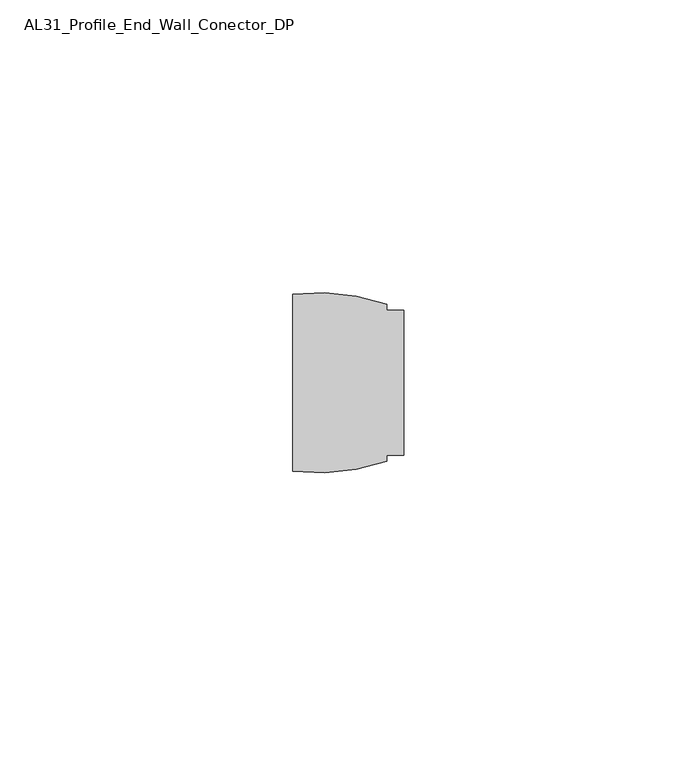
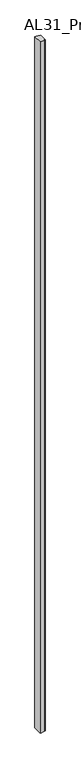
"""IFC4 building model written with IfcOpenShell, lengths in millimetres: member geometry, AL31_Profile_End_Wall_Conector_DP."""

import ifcopenshell
import ifcopenshell.guid

model = None  # the IFC model being written
_history = None  # IfcOwnerHistory: only IFC2X3 demands one
_inside = {}  # id of a spatial element -> (the spatial element, [elements in it])
_under = {}  # id of a project, library or spatial element -> (it, [spatial elements below it])
_declared = {}  # id of a project -> (the project, [libraries it declares])
_typed = {}  # id of a type object -> (the type object, [elements of that type])
_made_of = {}  # id of a material, layer set ... -> (it, [elements and type objects made of it])


def new_model(schema):
    """Start an empty IFC model of exactly this schema.

    Asked for "IFC4X3", IfcOpenShell would pick the latest addendum, in which some entities
    have other attributes; the version numbers below select the first issue.
    IFC2X3 requires an IfcOwnerHistory on every rooted entity: one is made here for all.
    """
    global model, _history
    if schema == "IFC4X3":
        model = ifcopenshell.file(schema_version=(4, 3, 0, 0))
    else:
        model = ifcopenshell.file(schema=schema)
    _inside.clear()
    _under.clear()
    _declared.clear()
    _typed.clear()
    _made_of.clear()
    _history = None
    if model.schema == "IFC2X3":
        org = make("IfcOrganization", Name="unknown")
        user = make(
            "IfcPersonAndOrganization",
            ThePerson=make("IfcPerson", FamilyName="unknown"),
            TheOrganization=org,
        )
        app = make(
            "IfcApplication",
            ApplicationDeveloper=org,
            Version="unknown",
            ApplicationFullName="unknown",
            ApplicationIdentifier="unknown",
        )
        _history = make(
            "IfcOwnerHistory",
            OwningUser=user,
            OwningApplication=app,
            ChangeAction="ADDED",
            CreationDate=0,
        )
    return model


def make(cls, **values):
    """One entity of the class cls with the attributes given. An attribute that is None is left unset."""
    return model.create_entity(
        cls, **{name: value for name, value in values.items() if value is not None}
    )


def rooted(cls, **values):
    """An entity with a GlobalId (a new one), such as an element, a storey or a relation."""
    return make(cls, GlobalId=ifcopenshell.guid.new(), OwnerHistory=_history, **values)


def si_unit(unit_type, name, prefix=None):
    """IfcSIUnit, for example si_unit("LENGTHUNIT", "METRE", prefix="MILLI")."""
    return make("IfcSIUnit", UnitType=unit_type, Prefix=prefix, Name=name)


def assignment(units):
    """IfcUnitAssignment: the units of a project."""
    return None if units is None else make("IfcUnitAssignment", Units=units)


def point(xyz):
    """IfcCartesianPoint."""
    return None if xyz is None else make("IfcCartesianPoint", Coordinates=xyz)


def direction(xyz):
    """IfcDirection."""
    return None if xyz is None else make("IfcDirection", DirectionRatios=xyz)


def frame(location, z_axis=None, x_axis=None):
    """IfcAxis2Placement3D, a coordinate frame: its origin and axes. An axis left out is left unset."""
    return make(
        "IfcAxis2Placement3D",
        Location=point(location),
        Axis=direction(z_axis),
        RefDirection=direction(x_axis),
    )


def frame_2d(location, x_axis=None):
    """IfcAxis2Placement2D, a coordinate frame in the plane: its origin and x axis."""
    return make(
        "IfcAxis2Placement2D", Location=point(location), RefDirection=direction(x_axis)
    )


def origin():
    """The frame at (0, 0, 0) with its axes left unset."""
    return frame((0.0, 0.0, 0.0))


def place(relative_to, where):
    """IfcLocalPlacement: puts the frame where relative to a parent placement (None: the world)."""
    return make(
        "IfcLocalPlacement", PlacementRelTo=relative_to, RelativePlacement=where
    )


def context(
    kind, dimensions, precision=None, world=None, true_north=None, identifier=None
):
    """IfcGeometricRepresentationContext, for example the 3D "Model" context."""
    return make(
        "IfcGeometricRepresentationContext",
        ContextIdentifier=identifier,
        ContextType=kind,
        CoordinateSpaceDimension=dimensions,
        Precision=precision,
        WorldCoordinateSystem=world,
        TrueNorth=true_north,
    )


def project(units=None, contexts=None):
    """IfcProject with its units and contexts."""
    return rooted(
        "IfcProject",
        Name="project",
        RepresentationContexts=contexts,
        UnitsInContext=assignment(units),
    )


def spatial(cls, under=None, at=None, **own):
    """A site, building, storey or space (cls), placed at a placement, below another one or the project."""
    s = rooted(cls, ObjectPlacement=at, **own)
    if under is not None:
        _under.setdefault(under.id(), (under, []))[1].append(s)
    return s


def polyline(points):
    """IfcPolyline through the points."""
    return make("IfcPolyline", Points=[point(p) for p in points])


def circle_curve(where, radius):
    """IfcCircle in the frame where."""
    return make("IfcCircle", Position=where, Radius=radius)


def trimmed(basis, trim1, trim2, sense, master):
    """IfcTrimmedCurve: the piece of a basis curve between two trims."""
    return make(
        "IfcTrimmedCurve",
        BasisCurve=basis,
        Trim1=trim1,
        Trim2=trim2,
        SenseAgreement=sense,
        MasterRepresentation=master,
    )


def segment(curve, same_sense, transition):
    """IfcCompositeCurveSegment."""
    return make(
        "IfcCompositeCurveSegment",
        Transition=transition,
        SameSense=same_sense,
        ParentCurve=curve,
    )


def composite_curve(segments, self_intersect=None):
    """IfcCompositeCurve: segments joined end to end."""
    return make("IfcCompositeCurve", Segments=segments, SelfIntersect=self_intersect)


def outline(outer, holes=None, kind="AREA"):
    """IfcArbitraryClosedProfileDef: a profile drawn as a closed curve; with holes, ...WithVoids."""
    if holes is None:
        return make("IfcArbitraryClosedProfileDef", ProfileType=kind, OuterCurve=outer)
    return make(
        "IfcArbitraryProfileDefWithVoids",
        ProfileType=kind,
        OuterCurve=outer,
        InnerCurves=holes,
    )


def extrude(swept, where, along, depth):
    """IfcExtrudedAreaSolid: the profile swept, set in the frame where, extruded along a direction by depth."""
    return make(
        "IfcExtrudedAreaSolid",
        SweptArea=swept,
        Position=where,
        ExtrudedDirection=direction(along),
        Depth=depth,
    )


def shape(context_of_items, identifier, shape_type, items):
    """IfcShapeRepresentation: the items that make up one representation, for example the "Body"."""
    return make(
        "IfcShapeRepresentation",
        ContextOfItems=context_of_items,
        RepresentationIdentifier=identifier,
        RepresentationType=shape_type,
        Items=items,
    )


def source(mapping_origin, context_of_items, identifier, shape_type, items):
    """IfcRepresentationMap: a shape defined once, which mapped items show again and again."""
    return make(
        "IfcRepresentationMap",
        MappingOrigin=mapping_origin,
        MappedRepresentation=shape(context_of_items, identifier, shape_type, items),
    )


def transform(
    local_origin,
    x_axis=None,
    y_axis=None,
    z_axis=None,
    scale=None,
    scale2=None,
    scale3=None,
    uniform=True,
):
    """IfcCartesianTransformationOperator3D, or its non-uniform kind. x_axis, y_axis, z_axis: its Axis1, 2, 3."""
    if uniform:
        return make(
            "IfcCartesianTransformationOperator3D",
            Axis1=direction(x_axis),
            Axis2=direction(y_axis),
            LocalOrigin=point(local_origin),
            Scale=scale,
            Axis3=direction(z_axis),
        )
    return make(
        "IfcCartesianTransformationOperator3DnonUniform",
        Axis1=direction(x_axis),
        Axis2=direction(y_axis),
        LocalOrigin=point(local_origin),
        Scale=scale,
        Axis3=direction(z_axis),
        Scale2=scale2,
        Scale3=scale3,
    )


def mapped(mapping_source, mapping_target):
    """IfcMappedItem: shows the shape of a source again, moved by a transform."""
    return make(
        "IfcMappedItem", MappingSource=mapping_source, MappingTarget=mapping_target
    )


def made_of(thing, what):
    """Note that an element or type object is made of a material, layer set ...; save() writes the relation."""
    if what is not None:
        _made_of.setdefault(what.id(), (what, []))[1].append(thing)
    return thing


def element(
    cls,
    number,
    at=None,
    inside=None,
    cuts=None,
    type_object=None,
    material=None,
    context=None,
    identifier="Body",
    shape_type=None,
    held_by="IfcProductDefinitionShape",
    body=None,
    shapes=None,
    **own,
):
    """One element of the class cls, such as IfcWall. Its Tag is "e" and its number.

    at: its placement. inside: the storey or other place that contains it. cuts: it is an
    opening in that element (IfcRelVoidsElement). A single representation is given by context,
    identifier, shape_type and body (its items); several are given by shapes. held_by: the class
    of the entity that holds the representations. save() writes the other relations.
    """
    e = rooted(cls, Tag="e%d" % number, ObjectPlacement=at, **own)
    if body is not None:
        shapes = [shape(context, identifier, shape_type, body)]
    if shapes is not None:
        e.Representation = make(held_by, Representations=shapes)
    if inside is not None:
        _inside.setdefault(inside.id(), (inside, []))[1].append(e)
    if cuts is not None:
        rooted(
            "IfcRelVoidsElement", RelatingBuildingElement=cuts, RelatedOpeningElement=e
        )
    if type_object is not None:
        _typed.setdefault(type_object.id(), (type_object, []))[1].append(e)
    return made_of(e, material)


def aggregate(whole, parts):
    """IfcRelAggregates: a whole, such as a stair, and the parts it consists of."""
    return rooted("IfcRelAggregates", RelatingObject=whole, RelatedObjects=parts)


def save(model, path):
    """Write the relations noted so far, then the file.

    IfcRelAggregates (storeys below a building ...), IfcRelContainedInSpatialStructure (elements
    in a storey), IfcRelDefinesByType, IfcRelAssociatesMaterial and IfcRelDeclares: one each for
    every whole, place, type object, material and project.
    """
    for whole, parts in _under.values():
        aggregate(whole, parts)
    for where, things in _inside.values():
        rooted(
            "IfcRelContainedInSpatialStructure",
            RelatedElements=things,
            RelatingStructure=where,
        )
    for kind, things in _typed.values():
        rooted("IfcRelDefinesByType", RelatedObjects=things, RelatingType=kind)
    for what, things in _made_of.values():
        rooted("IfcRelAssociatesMaterial", RelatedObjects=things, RelatingMaterial=what)
    for by, libraries in _declared.values():
        rooted("IfcRelDeclares", RelatingContext=by, RelatedDefinitions=libraries)
    model.write(path)


def al31_profile_end_wall_conector_dp_6510eeea(model_context):
    return source(origin(), model_context, "Body", "SweptSolid", [
        extrude(outline(composite_curve([segment(polyline([(-2.91093, 7.507), (-2.91093, 6.4514918)]), True, "CONTINUOUS"), segment(trimmed(circle_curve(frame_2d((-14.910931, 42.5070042)), 38.0), [point((-2.91093, 6.4514918))], [point((-18.9189957, 4.7189715))], False, "CARTESIAN"), True, "CONTINUOUS"), segment(polyline([(-18.9189957, 4.7189715), (-18.9189957, 34.9950318)]), True, "CONTINUOUS"), segment(trimmed(circle_curve(frame_2d((-14.910931, -2.7930009)), 38.0), [point((-18.9189957, 34.9950318))], [point((-2.9109321, 33.2625122))], False, "CARTESIAN"), True, "CONTINUOUS"), segment(polyline([(-2.9109321, 33.2625122), (-2.9109321, 32.207), (0.0, 32.207), (0.0, 7.507), (-2.91093, 7.507)]), True, "CONTINUOUS")], self_intersect=False)), frame((0.0, 0.0, -2500.0), z_axis=(0.0, 0.0, 1.0), x_axis=(1.0, 0.0, 0.0)), (0.0, 0.0, 1.0), 2500.0),
    ])


if __name__ == "__main__":
    model = new_model("IFC4")
    model_context = context("Model", 3, world=origin())
    ifc_project = project(units=[si_unit("LENGTHUNIT", "METRE", prefix="MILLI")], contexts=[model_context])
    site = spatial("IfcSite", under=ifc_project)
    building = spatial("IfcBuilding", under=site)
    placement = place(None, origin())
    al31_profile_end_wall_conector_dp_shape = al31_profile_end_wall_conector_dp_6510eeea(model_context)
    element("IfcMember", 1, ObjectType="AL31_Profile_End_Wall_Conector_DP", at=placement, inside=building, context=model_context, shape_type="MappedRepresentation", body=[
        mapped(al31_profile_end_wall_conector_dp_shape, transform((0.0, 0.0, 0.0), x_axis=(1.0, 0.0, 0.0), y_axis=(0.0, 1.0, 0.0), z_axis=(0.0, 0.0, 1.0))),
    ])
    save(model, "model.ifc")
